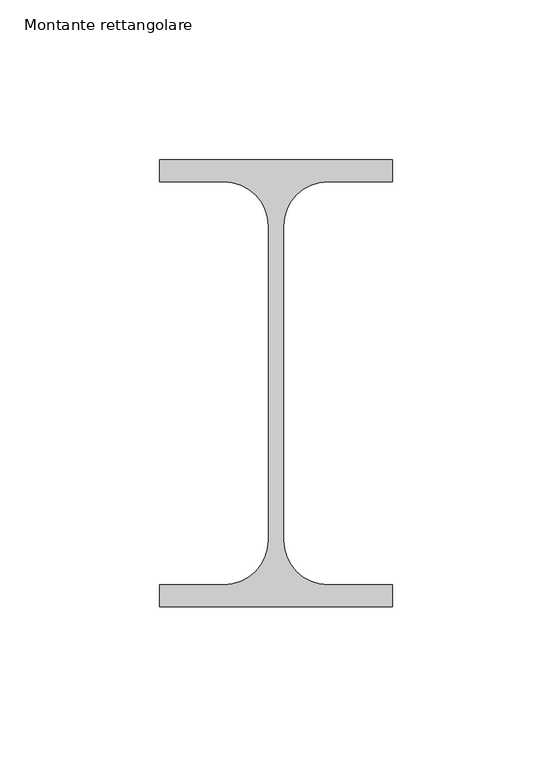
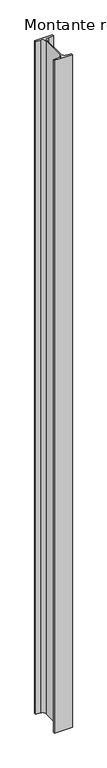
"""IFC4 building model written with IfcOpenShell, lengths in millimetres: member geometry, Montante rettangolare."""

from ifc_helpers import new_model, si_unit, point, frame, frame_2d, origin, place, context, project, spatial, polyline, circle_curve, trimmed, segment, composite_curve, outline, extrude, source, transform, mapped, element, save


def montante_rettangolare_0278e1cf(model_context):
    return source(origin(), model_context, "Body", "SweptSolid", [
        extrude(outline(composite_curve([segment(polyline([(-73.0, 13.1), (-73.0, 20.0), (0.0, 20.0), (0.0, 13.1), (-20.25, 13.1)]), True, "CONTINUOUS"), segment(trimmed(circle_curve(frame_2d((-20.25, -0.8)), 13.9), [point((-20.25, 13.1))], [point((-34.15, -0.8))], True, "CARTESIAN"), True, "CONTINUOUS"), segment(polyline([(-34.15, -0.8), (-34.15, -99.2)]), True, "CONTINUOUS"), segment(trimmed(circle_curve(frame_2d((-20.25, -99.2)), 13.9), [point((-34.15, -99.2))], [point((-20.25, -113.1))], True, "CARTESIAN"), True, "CONTINUOUS"), segment(polyline([(-20.25, -113.1), (0.0, -113.1), (0.0, -120.0), (-73.0, -120.0), (-73.0, -113.1), (-52.75, -113.1)]), True, "CONTINUOUS"), segment(trimmed(circle_curve(frame_2d((-52.75, -99.2)), 13.9), [point((-52.75, -113.1))], [point((-38.85, -99.2))], True, "CARTESIAN"), True, "CONTINUOUS"), segment(polyline([(-38.85, -99.2), (-38.85, -0.8)]), True, "CONTINUOUS"), segment(trimmed(circle_curve(frame_2d((-52.75, -0.8)), 13.9), [point((-38.85, -0.8))], [point((-52.75, 13.1))], True, "CARTESIAN"), True, "CONTINUOUS"), segment(polyline([(-52.75, 13.1), (-73.0, 13.1)]), True, "CONTINUOUS")], self_intersect=False)), frame((0.0, 0.0, -2906.2610861), z_axis=(0.0, 0.0, 1.0), x_axis=(1.0, 0.0, 0.0)), (0.0, 0.0, 1.0), 2906.2610861),
    ])


if __name__ == "__main__":
    model = new_model("IFC4")
    model_context = context("Model", 3, world=origin())
    ifc_project = project(units=[si_unit("LENGTHUNIT", "METRE", prefix="MILLI")], contexts=[model_context])
    site = spatial("IfcSite", under=ifc_project)
    building = spatial("IfcBuilding", under=site)
    placement = place(None, origin())
    montante_rettangolare_shape = montante_rettangolare_0278e1cf(model_context)
    element("IfcMember", 1, ObjectType="Montante rettangolare", at=placement, inside=building, context=model_context, shape_type="MappedRepresentation", body=[
        mapped(montante_rettangolare_shape, transform((0.0, 0.0, 0.0), x_axis=(1.0, 0.0, 0.0), y_axis=(0.0, 1.0, 0.0), z_axis=(0.0, 0.0, 1.0))),
    ])
    save(model, "model.ifc")
